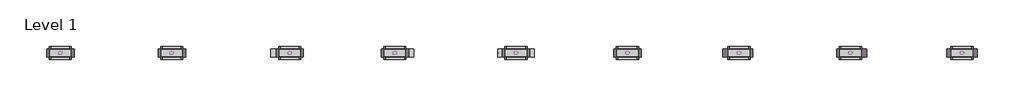
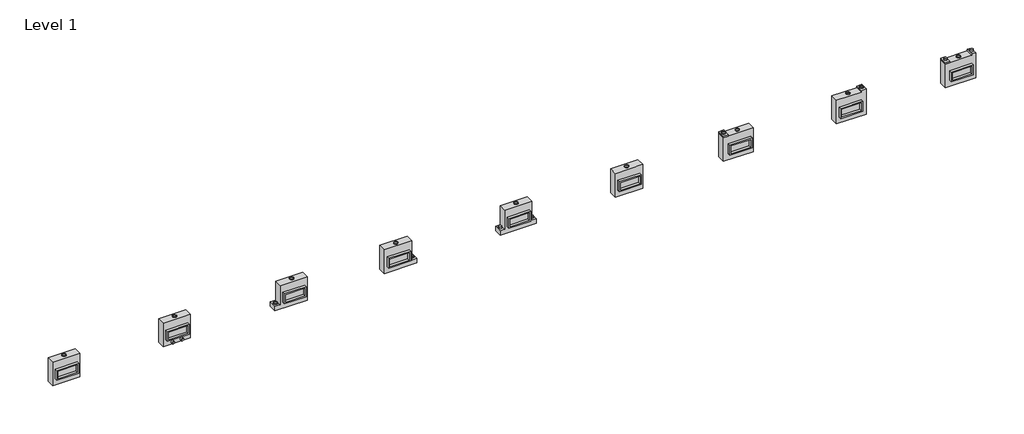
# One storey: 32 proxies.
"""IFC4 building model written with IfcOpenShell, lengths in millimetres."""

import ifcopenshell
import ifcopenshell.guid

model = None  # the IFC model being written
_history = None  # IfcOwnerHistory: only IFC2X3 demands one
_inside = {}  # id of a spatial element -> (the spatial element, [elements in it])
_under = {}  # id of a project, library or spatial element -> (it, [spatial elements below it])
_declared = {}  # id of a project -> (the project, [libraries it declares])
_typed = {}  # id of a type object -> (the type object, [elements of that type])
_made_of = {}  # id of a material, layer set ... -> (it, [elements and type objects made of it])


def new_model(schema):
    """Start an empty IFC model of exactly this schema.

    Asked for "IFC4X3", IfcOpenShell would pick the latest addendum, in which some entities
    have other attributes; the version numbers below select the first issue.
    IFC2X3 requires an IfcOwnerHistory on every rooted entity: one is made here for all.
    """
    global model, _history
    if schema == "IFC4X3":
        model = ifcopenshell.file(schema_version=(4, 3, 0, 0))
    else:
        model = ifcopenshell.file(schema=schema)
    _inside.clear()
    _under.clear()
    _declared.clear()
    _typed.clear()
    _made_of.clear()
    _history = None
    if model.schema == "IFC2X3":
        org = make("IfcOrganization", Name="unknown")
        user = make(
            "IfcPersonAndOrganization",
            ThePerson=make("IfcPerson", FamilyName="unknown"),
            TheOrganization=org,
        )
        app = make(
            "IfcApplication",
            ApplicationDeveloper=org,
            Version="unknown",
            ApplicationFullName="unknown",
            ApplicationIdentifier="unknown",
        )
        _history = make(
            "IfcOwnerHistory",
            OwningUser=user,
            OwningApplication=app,
            ChangeAction="ADDED",
            CreationDate=0,
        )
    return model


def make(cls, **values):
    """One entity of the class cls with the attributes given. An attribute that is None is left unset."""
    return model.create_entity(
        cls, **{name: value for name, value in values.items() if value is not None}
    )


def rooted(cls, **values):
    """An entity with a GlobalId (a new one), such as an element, a storey or a relation."""
    return make(cls, GlobalId=ifcopenshell.guid.new(), OwnerHistory=_history, **values)


def si_unit(unit_type, name, prefix=None):
    """IfcSIUnit, for example si_unit("LENGTHUNIT", "METRE", prefix="MILLI")."""
    return make("IfcSIUnit", UnitType=unit_type, Prefix=prefix, Name=name)


def assignment(units):
    """IfcUnitAssignment: the units of a project."""
    return None if units is None else make("IfcUnitAssignment", Units=units)


def point(xyz):
    """IfcCartesianPoint."""
    return None if xyz is None else make("IfcCartesianPoint", Coordinates=xyz)


def direction(xyz):
    """IfcDirection."""
    return None if xyz is None else make("IfcDirection", DirectionRatios=xyz)


def frame(location, z_axis=None, x_axis=None):
    """IfcAxis2Placement3D, a coordinate frame: its origin and axes. An axis left out is left unset."""
    return make(
        "IfcAxis2Placement3D",
        Location=point(location),
        Axis=direction(z_axis),
        RefDirection=direction(x_axis),
    )


def frame_2d(location, x_axis=None):
    """IfcAxis2Placement2D, a coordinate frame in the plane: its origin and x axis."""
    return make(
        "IfcAxis2Placement2D", Location=point(location), RefDirection=direction(x_axis)
    )


def origin():
    """The frame at (0, 0, 0) with its axes left unset."""
    return frame((0.0, 0.0, 0.0))


def origin_with_axes():
    """The frame at (0, 0, 0) with the z axis (0, 0, 1) and the x axis (1, 0, 0) written out."""
    return frame((0.0, 0.0, 0.0), z_axis=(0.0, 0.0, 1.0), x_axis=(1.0, 0.0, 0.0))


def origin_2d():
    """The frame at (0, 0) in the plane with its x axis left unset."""
    return frame_2d((0.0, 0.0))


def place(relative_to, where):
    """IfcLocalPlacement: puts the frame where relative to a parent placement (None: the world)."""
    return make(
        "IfcLocalPlacement", PlacementRelTo=relative_to, RelativePlacement=where
    )


def context(
    kind, dimensions, precision=None, world=None, true_north=None, identifier=None
):
    """IfcGeometricRepresentationContext, for example the 3D "Model" context."""
    return make(
        "IfcGeometricRepresentationContext",
        ContextIdentifier=identifier,
        ContextType=kind,
        CoordinateSpaceDimension=dimensions,
        Precision=precision,
        WorldCoordinateSystem=world,
        TrueNorth=true_north,
    )


def project(units=None, contexts=None):
    """IfcProject with its units and contexts."""
    return rooted(
        "IfcProject",
        Name="project",
        RepresentationContexts=contexts,
        UnitsInContext=assignment(units),
    )


def spatial(cls, under=None, at=None, **own):
    """A site, building, storey or space (cls), placed at a placement, below another one or the project."""
    s = rooted(cls, ObjectPlacement=at, **own)
    if under is not None:
        _under.setdefault(under.id(), (under, []))[1].append(s)
    return s


def polyline(points):
    """IfcPolyline through the points."""
    return make("IfcPolyline", Points=[point(p) for p in points])


def circle_curve(where, radius):
    """IfcCircle in the frame where."""
    return make("IfcCircle", Position=where, Radius=radius)


def trimmed(basis, trim1, trim2, sense, master):
    """IfcTrimmedCurve: the piece of a basis curve between two trims."""
    return make(
        "IfcTrimmedCurve",
        BasisCurve=basis,
        Trim1=trim1,
        Trim2=trim2,
        SenseAgreement=sense,
        MasterRepresentation=master,
    )


def segment(curve, same_sense, transition):
    """IfcCompositeCurveSegment."""
    return make(
        "IfcCompositeCurveSegment",
        Transition=transition,
        SameSense=same_sense,
        ParentCurve=curve,
    )


def composite_curve(segments, self_intersect=None):
    """IfcCompositeCurve: segments joined end to end."""
    return make("IfcCompositeCurve", Segments=segments, SelfIntersect=self_intersect)


def outline(outer, holes=None, kind="AREA"):
    """IfcArbitraryClosedProfileDef: a profile drawn as a closed curve; with holes, ...WithVoids."""
    if holes is None:
        return make("IfcArbitraryClosedProfileDef", ProfileType=kind, OuterCurve=outer)
    return make(
        "IfcArbitraryProfileDefWithVoids",
        ProfileType=kind,
        OuterCurve=outer,
        InnerCurves=holes,
    )


def extrude(swept, where, along, depth):
    """IfcExtrudedAreaSolid: the profile swept, set in the frame where, extruded along a direction by depth."""
    return make(
        "IfcExtrudedAreaSolid",
        SweptArea=swept,
        Position=where,
        ExtrudedDirection=direction(along),
        Depth=depth,
    )


def shape(context_of_items, identifier, shape_type, items):
    """IfcShapeRepresentation: the items that make up one representation, for example the "Body"."""
    return make(
        "IfcShapeRepresentation",
        ContextOfItems=context_of_items,
        RepresentationIdentifier=identifier,
        RepresentationType=shape_type,
        Items=items,
    )


def source(mapping_origin, context_of_items, identifier, shape_type, items):
    """IfcRepresentationMap: a shape defined once, which mapped items show again and again."""
    return make(
        "IfcRepresentationMap",
        MappingOrigin=mapping_origin,
        MappedRepresentation=shape(context_of_items, identifier, shape_type, items),
    )


def transform(
    local_origin,
    x_axis=None,
    y_axis=None,
    z_axis=None,
    scale=None,
    scale2=None,
    scale3=None,
    uniform=True,
):
    """IfcCartesianTransformationOperator3D, or its non-uniform kind. x_axis, y_axis, z_axis: its Axis1, 2, 3."""
    if uniform:
        return make(
            "IfcCartesianTransformationOperator3D",
            Axis1=direction(x_axis),
            Axis2=direction(y_axis),
            LocalOrigin=point(local_origin),
            Scale=scale,
            Axis3=direction(z_axis),
        )
    return make(
        "IfcCartesianTransformationOperator3DnonUniform",
        Axis1=direction(x_axis),
        Axis2=direction(y_axis),
        LocalOrigin=point(local_origin),
        Scale=scale,
        Axis3=direction(z_axis),
        Scale2=scale2,
        Scale3=scale3,
    )


def mapped(mapping_source, mapping_target):
    """IfcMappedItem: shows the shape of a source again, moved by a transform."""
    return make(
        "IfcMappedItem", MappingSource=mapping_source, MappingTarget=mapping_target
    )


def made_of(thing, what):
    """Note that an element or type object is made of a material, layer set ...; save() writes the relation."""
    if what is not None:
        _made_of.setdefault(what.id(), (what, []))[1].append(thing)
    return thing


def element(
    cls,
    number,
    at=None,
    inside=None,
    cuts=None,
    type_object=None,
    material=None,
    context=None,
    identifier="Body",
    shape_type=None,
    held_by="IfcProductDefinitionShape",
    body=None,
    shapes=None,
    **own,
):
    """One element of the class cls, such as IfcWall. Its Tag is "e" and its number.

    at: its placement. inside: the storey or other place that contains it. cuts: it is an
    opening in that element (IfcRelVoidsElement). A single representation is given by context,
    identifier, shape_type and body (its items); several are given by shapes. held_by: the class
    of the entity that holds the representations. save() writes the other relations.
    """
    e = rooted(cls, Tag="e%d" % number, ObjectPlacement=at, **own)
    if body is not None:
        shapes = [shape(context, identifier, shape_type, body)]
    if shapes is not None:
        e.Representation = make(held_by, Representations=shapes)
    if inside is not None:
        _inside.setdefault(inside.id(), (inside, []))[1].append(e)
    if cuts is not None:
        rooted(
            "IfcRelVoidsElement", RelatingBuildingElement=cuts, RelatedOpeningElement=e
        )
    if type_object is not None:
        _typed.setdefault(type_object.id(), (type_object, []))[1].append(e)
    return made_of(e, material)


def aggregate(whole, parts):
    """IfcRelAggregates: a whole, such as a stair, and the parts it consists of."""
    return rooted("IfcRelAggregates", RelatingObject=whole, RelatedObjects=parts)


def save(model, path):
    """Write the relations noted so far, then the file.

    IfcRelAggregates (storeys below a building ...), IfcRelContainedInSpatialStructure (elements
    in a storey), IfcRelDefinesByType, IfcRelAssociatesMaterial and IfcRelDeclares: one each for
    every whole, place, type object, material and project.
    """
    for whole, parts in _under.values():
        aggregate(whole, parts)
    for where, things in _inside.values():
        rooted(
            "IfcRelContainedInSpatialStructure",
            RelatedElements=things,
            RelatingStructure=where,
        )
    for kind, things in _typed.values():
        rooted("IfcRelDefinesByType", RelatedObjects=things, RelatingType=kind)
    for what, things in _made_of.values():
        rooted("IfcRelAssociatesMaterial", RelatedObjects=things, RelatingMaterial=what)
    for by, libraries in _declared.values():
        rooted("IfcRelDeclares", RelatingContext=by, RelatedDefinitions=libraries)
    model.write(path)


def as_specified_7550a700(model_context):
    return source(origin(), model_context, "Body", "SweptSolid", [
        extrude(outline(polyline([(698.5, 273.05), (698.5, -387.35), (-698.5, -387.35), (-698.5, 273.05), (698.5, 273.05)]), holes=[polyline([(609.6, 196.85), (-609.6, 196.85), (-609.6, -311.15), (609.6, -311.15), (609.6, 196.85)])]), frame((0.0, 0.0, -688.975), z_axis=(0.0, 0.0, 1.0), x_axis=(1.0, 0.0, 0.0)), (0.0, 0.0, 1.0), 165.1),
        extrude(outline(polyline([(698.5, 273.05), (698.5, -387.35), (-698.5, -387.35), (-698.5, 273.05), (698.5, 273.05)]), holes=[polyline([(609.6, 196.85), (-609.6, 196.85), (-609.6, -311.15), (609.6, -311.15), (609.6, 196.85)])]), frame((0.0, 0.0, -25.4), z_axis=(0.0, 0.0, 1.0), x_axis=(1.0, 0.0, 0.0)), (0.0, 0.0, 1.0), 165.1),
        extrude(outline(polyline([(609.6, 196.85), (609.6, -311.15), (-609.6, -311.15), (-609.6, 196.85), (609.6, 196.85)])), frame((0.0, 0.0, -523.875), z_axis=(0.0, 0.0, 1.0), x_axis=(1.0, 0.0, 0.0)), (0.0, 0.0, 1.0), 4.9609375),
        extrude(outline(polyline([(609.6, 196.85), (609.6, -311.15), (-609.6, -311.15), (-609.6, 196.85), (609.6, 196.85)])), frame((0.0, 0.0, -30.3609375), z_axis=(0.0, 0.0, 1.0), x_axis=(1.0, 0.0, 0.0)), (0.0, 0.0, 1.0), 4.9609375),
        extrude(outline(polyline([(-863.6, 793.75), (863.6, 793.75), (863.6, -488.95), (1143.0, -488.95), (1143.0, -793.75), (-1143.0, -793.75), (-1143.0, -488.95), (-863.6, -488.95), (-863.6, 793.75)]), holes=[polyline([(-698.5, 273.05), (-698.5, -387.35), (698.5, -387.35), (698.5, 273.05), (-698.5, 273.05)])]), frame((0.0, 0.0, -523.875), z_axis=(0.0, 0.0, 1.0), x_axis=(1.0, 0.0, 0.0)), (0.0, 0.0, 1.0), 498.475),
    ])


def as_specified_c054f7eb(model_context):
    return source(origin(), model_context, "Body", "SweptSolid", [
        extrude(outline(polyline([(698.5, 273.05), (698.5, -387.35), (-698.5, -387.35), (-698.5, 273.05), (698.5, 273.05)]), holes=[polyline([(609.6, 196.85), (-609.6, 196.85), (-609.6, -311.15), (609.6, -311.15), (609.6, 196.85)])]), frame((0.0, 0.0, -688.975), z_axis=(0.0, 0.0, 1.0), x_axis=(1.0, 0.0, 0.0)), (0.0, 0.0, 1.0), 165.1),
        extrude(outline(polyline([(698.5, 273.05), (698.5, -387.35), (-698.5, -387.35), (-698.5, 273.05), (698.5, 273.05)]), holes=[polyline([(609.6, 196.85), (-609.6, 196.85), (-609.6, -311.15), (609.6, -311.15), (609.6, 196.85)])]), frame((0.0, 0.0, -25.4), z_axis=(0.0, 0.0, 1.0), x_axis=(1.0, 0.0, 0.0)), (0.0, 0.0, 1.0), 165.1),
        extrude(outline(polyline([(609.6, 196.85), (609.6, -311.15), (-609.6, -311.15), (-609.6, 196.85), (609.6, 196.85)])), frame((0.0, 0.0, -523.875), z_axis=(0.0, 0.0, 1.0), x_axis=(1.0, 0.0, 0.0)), (0.0, 0.0, 1.0), 4.9609375),
        extrude(outline(polyline([(609.6, 196.85), (609.6, -311.15), (-609.6, -311.15), (-609.6, 196.85), (609.6, 196.85)])), frame((0.0, 0.0, -30.3609375), z_axis=(0.0, 0.0, 1.0), x_axis=(1.0, 0.0, 0.0)), (0.0, 0.0, 1.0), 4.9609375),
        extrude(outline(polyline([(-863.6, 793.75), (863.6, 793.75), (863.6, -488.95), (1193.8, -488.95), (1193.8, -793.75), (-863.6, -793.75), (-863.6, 793.75)]), holes=[polyline([(-698.5, 273.05), (-698.5, -387.35), (698.5, -387.35), (698.5, 273.05), (-698.5, 273.05)])]), frame((0.0, 0.0, -523.875), z_axis=(0.0, 0.0, 1.0), x_axis=(1.0, 0.0, 0.0)), (0.0, 0.0, 1.0), 498.475),
    ])


def as_specified_d5d1e361(model_context):
    return source(origin(), model_context, "Body", "SweptSolid", [
        extrude(outline(polyline([(698.5, 273.05), (698.5, -387.35), (-698.5, -387.35), (-698.5, 273.05), (698.5, 273.05)]), holes=[polyline([(609.6, 196.85), (-609.6, 196.85), (-609.6, -311.15), (609.6, -311.15), (609.6, 196.85)])]), frame((0.0, 0.0, -688.975), z_axis=(0.0, 0.0, 1.0), x_axis=(1.0, 0.0, 0.0)), (0.0, 0.0, 1.0), 165.1),
        extrude(outline(polyline([(698.5, 273.05), (698.5, -387.35), (-698.5, -387.35), (-698.5, 273.05), (698.5, 273.05)]), holes=[polyline([(609.6, 196.85), (-609.6, 196.85), (-609.6, -311.15), (609.6, -311.15), (609.6, 196.85)])]), frame((0.0, 0.0, -25.4), z_axis=(0.0, 0.0, 1.0), x_axis=(1.0, 0.0, 0.0)), (0.0, 0.0, 1.0), 165.1),
        extrude(outline(polyline([(609.6, 196.85), (609.6, -311.15), (-609.6, -311.15), (-609.6, 196.85), (609.6, 196.85)])), frame((0.0, 0.0, -523.875), z_axis=(0.0, 0.0, 1.0), x_axis=(1.0, 0.0, 0.0)), (0.0, 0.0, 1.0), 4.9609375),
        extrude(outline(polyline([(609.6, 196.85), (609.6, -311.15), (-609.6, -311.15), (-609.6, 196.85), (609.6, 196.85)])), frame((0.0, 0.0, -30.3609375), z_axis=(0.0, 0.0, 1.0), x_axis=(1.0, 0.0, 0.0)), (0.0, 0.0, 1.0), 4.9609375),
        extrude(outline(polyline([(1016.0, -793.75), (-863.6, -793.75), (-863.6, 793.75), (698.5, 793.75), (698.5, 895.35), (1016.0, 895.35), (1016.0, -793.75)]), holes=[polyline([(-698.5, 273.05), (-698.5, -387.35), (698.5, -387.35), (698.5, 273.05), (-698.5, 273.05)])]), frame((0.0, 0.0, -523.875), z_axis=(0.0, 0.0, 1.0), x_axis=(1.0, 0.0, 0.0)), (0.0, 0.0, 1.0), 498.475),
    ])


def as_specified_5f057457(model_context):
    return source(origin(), model_context, "Body", "SweptSolid", [
        extrude(outline(polyline([(698.5, 273.05), (698.5, -387.35), (-698.5, -387.35), (-698.5, 273.05), (698.5, 273.05)]), holes=[polyline([(609.6, 196.85), (-609.6, 196.85), (-609.6, -311.15), (609.6, -311.15), (609.6, 196.85)])]), frame((0.0, 0.0, -688.975), z_axis=(0.0, 0.0, 1.0), x_axis=(1.0, 0.0, 0.0)), (0.0, 0.0, 1.0), 165.1),
        extrude(outline(polyline([(698.5, 273.05), (698.5, -387.35), (-698.5, -387.35), (-698.5, 273.05), (698.5, 273.05)]), holes=[polyline([(609.6, 196.85), (-609.6, 196.85), (-609.6, -311.15), (609.6, -311.15), (609.6, 196.85)])]), frame((0.0, 0.0, -25.4), z_axis=(0.0, 0.0, 1.0), x_axis=(1.0, 0.0, 0.0)), (0.0, 0.0, 1.0), 165.1),
        extrude(outline(polyline([(-698.5, 793.75), (-965.2, 793.75), (-965.2, 895.35), (-698.5, 895.35), (-698.5, 793.75)])), frame((0.0, 0.0, -523.875), z_axis=(0.0, 0.0, 1.0), x_axis=(1.0, 0.0, 0.0)), (0.0, 0.0, 1.0), 498.475),
        extrude(outline(polyline([(609.6, 196.85), (609.6, -311.15), (-609.6, -311.15), (-609.6, 196.85), (609.6, 196.85)])), frame((0.0, 0.0, -523.875), z_axis=(0.0, 0.0, 1.0), x_axis=(1.0, 0.0, 0.0)), (0.0, 0.0, 1.0), 4.9609375),
        extrude(outline(polyline([(609.6, 196.85), (609.6, -311.15), (-609.6, -311.15), (-609.6, 196.85), (609.6, 196.85)])), frame((0.0, 0.0, -30.3609375), z_axis=(0.0, 0.0, 1.0), x_axis=(1.0, 0.0, 0.0)), (0.0, 0.0, 1.0), 4.9609375),
        extrude(outline(polyline([(965.2, -793.75), (-965.2, -793.75), (-965.2, 793.75), (698.5, 793.75), (698.5, 895.35), (965.2, 895.35), (965.2, -793.75)]), holes=[polyline([(-698.5, 273.05), (-698.5, -387.35), (698.5, -387.35), (698.5, 273.05), (-698.5, 273.05)])]), frame((0.0, 0.0, -523.875), z_axis=(0.0, 0.0, 1.0), x_axis=(1.0, 0.0, 0.0)), (0.0, 0.0, 1.0), 498.475),
    ])


def as_specified_463fd718(model_context):
    return source(origin(), model_context, "Body", "SweptSolid", [
        extrude(outline(polyline([(698.5, 273.05), (698.5, -387.35), (-698.5, -387.35), (-698.5, 273.05), (698.5, 273.05)]), holes=[polyline([(609.6, 196.85), (-609.6, 196.85), (-609.6, -311.15), (609.6, -311.15), (609.6, 196.85)])]), frame((0.0, 0.0, -688.975), z_axis=(0.0, 0.0, 1.0), x_axis=(1.0, 0.0, 0.0)), (0.0, 0.0, 1.0), 165.1),
        extrude(outline(polyline([(698.5, 273.05), (698.5, -387.35), (-698.5, -387.35), (-698.5, 273.05), (698.5, 273.05)]), holes=[polyline([(609.6, 196.85), (-609.6, 196.85), (-609.6, -311.15), (609.6, -311.15), (609.6, 196.85)])]), frame((0.0, 0.0, -25.4), z_axis=(0.0, 0.0, 1.0), x_axis=(1.0, 0.0, 0.0)), (0.0, 0.0, 1.0), 165.1),
        extrude(outline(polyline([(609.6, 196.85), (609.6, -311.15), (-609.6, -311.15), (-609.6, 196.85), (609.6, 196.85)])), frame((0.0, 0.0, -523.875), z_axis=(0.0, 0.0, 1.0), x_axis=(1.0, 0.0, 0.0)), (0.0, 0.0, 1.0), 4.9609375),
        extrude(outline(polyline([(609.6, 196.85), (609.6, -311.15), (-609.6, -311.15), (-609.6, 196.85), (609.6, 196.85)])), frame((0.0, 0.0, -30.3609375), z_axis=(0.0, 0.0, 1.0), x_axis=(1.0, 0.0, 0.0)), (0.0, 0.0, 1.0), 4.9609375),
        extrude(outline(polyline([(863.6, -793.75), (-863.6, -793.75), (-863.6, 793.75), (863.6, 793.75), (863.6, -793.75)]), holes=[polyline([(-698.5, 273.05), (-698.5, -387.35), (698.5, -387.35), (698.5, 273.05), (-698.5, 273.05)])]), frame((0.0, 0.0, -523.875), z_axis=(0.0, 0.0, 1.0), x_axis=(1.0, 0.0, 0.0)), (0.0, 0.0, 1.0), 498.475),
    ])


def as_specified_b5da487b(model_context):
    return source(origin(), model_context, "Body", "SweptSolid", [
        extrude(outline(polyline([(698.5, 273.05), (698.5, -387.35), (-698.5, -387.35), (-698.5, 273.05), (698.5, 273.05)]), holes=[polyline([(609.6, 196.85), (-609.6, 196.85), (-609.6, -311.15), (609.6, -311.15), (609.6, 196.85)])]), frame((0.0, 0.0, -688.975), z_axis=(0.0, 0.0, 1.0), x_axis=(1.0, 0.0, 0.0)), (0.0, 0.0, 1.0), 165.1),
        extrude(outline(polyline([(698.5, 273.05), (698.5, -387.35), (-698.5, -387.35), (-698.5, 273.05), (698.5, 273.05)]), holes=[polyline([(609.6, 196.85), (-609.6, 196.85), (-609.6, -311.15), (609.6, -311.15), (609.6, 196.85)])]), frame((0.0, 0.0, -25.4), z_axis=(0.0, 0.0, 1.0), x_axis=(1.0, 0.0, 0.0)), (0.0, 0.0, 1.0), 165.1),
        extrude(outline(polyline([(609.6, 196.85), (609.6, -311.15), (-609.6, -311.15), (-609.6, 196.85), (609.6, 196.85)])), frame((0.0, 0.0, -523.875), z_axis=(0.0, 0.0, 1.0), x_axis=(1.0, 0.0, 0.0)), (0.0, 0.0, 1.0), 4.9609375),
        extrude(outline(polyline([(609.6, 196.85), (609.6, -311.15), (-609.6, -311.15), (-609.6, 196.85), (609.6, 196.85)])), frame((0.0, 0.0, -30.3609375), z_axis=(0.0, 0.0, 1.0), x_axis=(1.0, 0.0, 0.0)), (0.0, 0.0, 1.0), 4.9609375),
        extrude(outline(polyline([(-863.6, 793.75), (863.6, 793.75), (863.6, -793.75), (-1193.8, -793.75), (-1193.8, -488.95), (-863.6, -488.95), (-863.6, 793.75)]), holes=[polyline([(-698.5, 273.05), (-698.5, -387.35), (698.5, -387.35), (698.5, 273.05), (-698.5, 273.05)])]), frame((0.0, 0.0, -523.875), z_axis=(0.0, 0.0, 1.0), x_axis=(1.0, 0.0, 0.0)), (0.0, 0.0, 1.0), 498.475),
    ])


def as_specified_b3f3418c(model_context):
    return source(origin(), model_context, "Body", "SweptSolid", [
        extrude(outline(polyline([(698.5, 273.05), (698.5, -387.35), (-698.5, -387.35), (-698.5, 273.05), (698.5, 273.05)]), holes=[polyline([(609.6, 196.85), (-609.6, 196.85), (-609.6, -311.15), (609.6, -311.15), (609.6, 196.85)])]), frame((0.0, 0.0, -688.975), z_axis=(0.0, 0.0, 1.0), x_axis=(1.0, 0.0, 0.0)), (0.0, 0.0, 1.0), 165.1),
        extrude(outline(polyline([(698.5, 273.05), (698.5, -387.35), (-698.5, -387.35), (-698.5, 273.05), (698.5, 273.05)]), holes=[polyline([(609.6, 196.85), (-609.6, 196.85), (-609.6, -311.15), (609.6, -311.15), (609.6, 196.85)])]), frame((0.0, 0.0, -25.4), z_axis=(0.0, 0.0, 1.0), x_axis=(1.0, 0.0, 0.0)), (0.0, 0.0, 1.0), 165.1),
        extrude(outline(polyline([(-698.5, 793.75), (-1016.0, 793.75), (-1016.0, 895.35), (-698.5, 895.35), (-698.5, 793.75)])), frame((0.0, 0.0, -523.875), z_axis=(0.0, 0.0, 1.0), x_axis=(1.0, 0.0, 0.0)), (0.0, 0.0, 1.0), 498.475),
        extrude(outline(polyline([(609.6, 196.85), (609.6, -311.15), (-609.6, -311.15), (-609.6, 196.85), (609.6, 196.85)])), frame((0.0, 0.0, -523.875), z_axis=(0.0, 0.0, 1.0), x_axis=(1.0, 0.0, 0.0)), (0.0, 0.0, 1.0), 4.9609375),
        extrude(outline(polyline([(609.6, 196.85), (609.6, -311.15), (-609.6, -311.15), (-609.6, 196.85), (609.6, 196.85)])), frame((0.0, 0.0, -30.3609375), z_axis=(0.0, 0.0, 1.0), x_axis=(1.0, 0.0, 0.0)), (0.0, 0.0, 1.0), 4.9609375),
        extrude(outline(polyline([(863.6, -793.75), (-1016.0, -793.75), (-1016.0, 793.75), (863.6, 793.75), (863.6, -793.75)]), holes=[polyline([(-698.5, 273.05), (-698.5, -387.35), (698.5, -387.35), (698.5, 273.05), (-698.5, 273.05)])]), frame((0.0, 0.0, -523.875), z_axis=(0.0, 0.0, 1.0), x_axis=(1.0, 0.0, 0.0)), (0.0, 0.0, 1.0), 498.475),
    ])


def proxy_5643af6b(model_context):
    return source(origin(), model_context, "Body", "SweptSolid", [
        extrude(outline(composite_curve([segment(trimmed(circle_curve(origin_2d(), 100.0125), [point((-100.0125, 0.0))], [point((100.0125, 0.0))], False, "CARTESIAN"), True, "CONTINUOUS"), segment(trimmed(circle_curve(origin_2d(), 100.0125), [point((100.0125, 0.0))], [point((-100.0125, 0.0))], False, "CARTESIAN"), True, "CONTINUOUS")], self_intersect=False), holes=[composite_curve([segment(trimmed(circle_curve(origin_2d(), 98.425), [point((-98.425, 0.0))], [point((98.425, 0.0))], True, "CARTESIAN"), True, "CONTINUOUS"), segment(trimmed(circle_curve(origin_2d(), 98.425), [point((98.425, 0.0))], [point((-98.425, 0.0))], True, "CARTESIAN"), True, "CONTINUOUS")], self_intersect=False)]), origin_with_axes(), (0.0, 0.0, 1.0), 101.6),
    ])


def proxy_c1ba4f62(model_context):
    return source(origin(), model_context, "Body", "SweptSolid", [
        extrude(outline(composite_curve([segment(trimmed(circle_curve(origin_2d(), 103.1875), [point((-103.1875, 0.0))], [point((103.1875, 0.0))], False, "CARTESIAN"), True, "CONTINUOUS"), segment(trimmed(circle_curve(origin_2d(), 103.1875), [point((103.1875, 0.0))], [point((-103.1875, 0.0))], False, "CARTESIAN"), True, "CONTINUOUS")], self_intersect=False), holes=[composite_curve([segment(trimmed(circle_curve(origin_2d(), 101.6), [point((-101.6, 0.0))], [point((101.6, 0.0))], True, "CARTESIAN"), True, "CONTINUOUS"), segment(trimmed(circle_curve(origin_2d(), 101.6), [point((101.6, 0.0))], [point((-101.6, 0.0))], True, "CARTESIAN"), True, "CONTINUOUS")], self_intersect=False)]), origin_with_axes(), (0.0, 0.0, 1.0), 6.35),
    ])


def proxy_2b585128(model_context):
    return source(origin(), model_context, "Body", "SweptSolid", [
        extrude(outline(composite_curve([segment(trimmed(circle_curve(origin_2d(), 123.825), [point((-123.825, 0.0))], [point((123.825, 0.0))], False, "CARTESIAN"), True, "CONTINUOUS"), segment(trimmed(circle_curve(origin_2d(), 123.825), [point((123.825, 0.0))], [point((-123.825, 0.0))], False, "CARTESIAN"), True, "CONTINUOUS")], self_intersect=False), holes=[composite_curve([segment(trimmed(circle_curve(origin_2d(), 122.2375), [point((-122.2375, 0.0))], [point((122.2375, 0.0))], True, "CARTESIAN"), True, "CONTINUOUS"), segment(trimmed(circle_curve(origin_2d(), 122.2375), [point((122.2375, 0.0))], [point((-122.2375, 0.0))], True, "CARTESIAN"), True, "CONTINUOUS")], self_intersect=False)]), origin_with_axes(), (0.0, 0.0, 1.0), 50.8),
    ])


def proxy_f04a25a4(model_context):
    return source(origin(), model_context, "Body", "SweptSolid", [
        extrude(outline(composite_curve([segment(trimmed(circle_curve(origin_2d(), 125.4125), [point((-125.4125, 0.0))], [point((125.4125, 0.0))], False, "CARTESIAN"), True, "CONTINUOUS"), segment(trimmed(circle_curve(origin_2d(), 125.4125), [point((125.4125, 0.0))], [point((-125.4125, 0.0))], False, "CARTESIAN"), True, "CONTINUOUS")], self_intersect=False), holes=[composite_curve([segment(trimmed(circle_curve(origin_2d(), 123.825), [point((-123.825, 0.0))], [point((123.825, 0.0))], True, "CARTESIAN"), True, "CONTINUOUS"), segment(trimmed(circle_curve(origin_2d(), 123.825), [point((123.825, 0.0))], [point((-123.825, 0.0))], True, "CARTESIAN"), True, "CONTINUOUS")], self_intersect=False)]), origin_with_axes(), (0.0, 0.0, 1.0), 50.8),
    ])


model = new_model("IFC4")

# Units and contexts
model_context = context("Model", 3, world=origin())
ifc_project = project(units=[si_unit("LENGTHUNIT", "METRE", prefix="MILLI")], contexts=[model_context])

# Site, building, storey
site = spatial("IfcSite", under=ifc_project)
building = spatial("IfcBuilding", under=site)
storey = spatial("IfcBuildingStorey", under=building, Name="Level 1", Elevation=0.0)

# Proxies
placement = place(None, origin())
as_specified_shape = as_specified_7550a700(model_context)
element("IfcBuildingElementProxy", 1, Name="As Specified", ObjectType="As Specified", at=placement, inside=storey, context=model_context, shape_type="MappedRepresentation", body=[
    mapped(as_specified_shape, transform((14791.2574402, 1616.7712992, 1219.2), x_axis=(1.0, 0.0, 0.0), y_axis=(0.0, 0.0, 1.0), z_axis=(0.0, -1.0, 0.0))),
])
as_specified_2_shape = as_specified_c054f7eb(model_context)
element("IfcBuildingElementProxy", 2, Name="As Specified", ObjectType="As Specified", at=placement, inside=storey, context=model_context, shape_type="MappedRepresentation", body=[
    mapped(as_specified_2_shape, transform((7171.2574402, 1616.7712992, 1219.2), x_axis=(1.0, 0.0, 0.0), y_axis=(0.0, 0.0, 1.0), z_axis=(0.0, -1.0, 0.0))),
])
as_specified_3_shape = as_specified_d5d1e361(model_context)
element("IfcBuildingElementProxy", 3, Name="As Specified", ObjectType="As Specified", at=placement, inside=storey, context=model_context, shape_type="MappedRepresentation", body=[
    mapped(as_specified_3_shape, transform((35822.4574402, 1616.7712992, 1219.2), x_axis=(1.0, 0.0, 0.0), y_axis=(0.0, 0.0, 1.0), z_axis=(0.0, -1.0, 0.0))),
])
as_specified_4_shape = as_specified_5f057457(model_context)
element("IfcBuildingElementProxy", 4, Name="As Specified", ObjectType="As Specified", at=placement, inside=storey, context=model_context, shape_type="MappedRepresentation", body=[
    mapped(as_specified_4_shape, transform((42832.8574402, 1616.7712992, 1219.2), x_axis=(1.0, 0.0, 0.0), y_axis=(0.0, 0.0, 1.0), z_axis=(0.0, -1.0, 0.0))),
])
as_specified_5_shape = as_specified_463fd718(model_context)
element("IfcBuildingElementProxy", 5, Name="As Specified", ObjectType="As Specified", at=placement, inside=storey, context=model_context, shape_type="MappedRepresentation", body=[
    mapped(as_specified_5_shape, transform((-6849.5425598, 1616.7712992, 1219.2), x_axis=(1.0, 0.0, 0.0), y_axis=(0.0, 0.0, 1.0), z_axis=(0.0, -1.0, 0.0))),
])
element("IfcBuildingElementProxy", 6, Name="As Specified", ObjectType="As Specified", at=placement, inside=storey, context=model_context, shape_type="MappedRepresentation", body=[
    mapped(as_specified_5_shape, transform((21801.6574402, 1616.7712992, 1219.2), x_axis=(1.0, 0.0, 0.0), y_axis=(0.0, 0.0, 1.0), z_axis=(0.0, -1.0, 0.0))),
])
element("IfcBuildingElementProxy", 7, Name="As Specified", ObjectType="As Specified", at=placement, inside=storey, context=model_context, shape_type="MappedRepresentation", body=[
    mapped(as_specified_5_shape, transform((-13859.9425598, 1616.7712992, 1066.8), x_axis=(1.0, 0.0, 0.0), y_axis=(0.0, 0.0, 1.0), z_axis=(0.0, -1.0, 0.0))),
])
as_specified_6_shape = as_specified_b5da487b(model_context)
element("IfcBuildingElementProxy", 8, Name="As Specified", ObjectType="As Specified", at=placement, inside=storey, context=model_context, shape_type="MappedRepresentation", body=[
    mapped(as_specified_6_shape, transform((565.6597121, 1616.7712992, 1144.6311604), x_axis=(1.0, 0.0, 0.0), y_axis=(0.0, 0.0, 1.0), z_axis=(0.0, -1.0, 0.0))),
])
as_specified_7_shape = as_specified_b3f3418c(model_context)
element("IfcBuildingElementProxy", 9, Name="As Specified", ObjectType="As Specified", at=placement, inside=storey, context=model_context, shape_type="MappedRepresentation", body=[
    mapped(as_specified_7_shape, transform((28812.0574402, 1616.7712992, 1219.2), x_axis=(1.0, 0.0, 0.0), y_axis=(0.0, 0.0, 1.0), z_axis=(0.0, -1.0, 0.0))),
])
proxy_shape = proxy_5643af6b(model_context)
element("IfcBuildingElementProxy", 10, Name="Duct Dia : 7 7/8\" Dia", ObjectType="Duct Dia : 7 7/8\" Dia", at=placement, inside=storey, context=model_context, shape_type="MappedRepresentation", body=[
    mapped(proxy_shape, transform((-7137.4092265, 1642.1712992, 577.85), x_axis=(-1.0, 0.0, 0.0), y_axis=(0.0, 0.0, -1.0), z_axis=(0.0, -1.0, 0.0))),
])
element("IfcBuildingElementProxy", 11, Name="Duct Dia : 7 7/8\" Dia", ObjectType="Duct Dia : 7 7/8\" Dia", at=placement, inside=storey, context=model_context, shape_type="MappedRepresentation", body=[
    mapped(proxy_shape, transform((-6561.6758932, 1642.1712992, 577.85), x_axis=(-1.0, 0.0, 0.0), y_axis=(0.0, 0.0, -1.0), z_axis=(0.0, -1.0, 0.0))),
])
element("IfcBuildingElementProxy", 12, Name="Duct Dia : 7 7/8\" Dia", ObjectType="Duct Dia : 7 7/8\" Dia", at=placement, inside=storey, context=model_context, shape_type="MappedRepresentation", body=[
    mapped(proxy_shape, transform((13787.9574402, 1891.4087992, 730.25), x_axis=(1.0, 0.0, 0.0), y_axis=(0.0, 1.0, 0.0), z_axis=(0.0, 0.0, 1.0))),
])
element("IfcBuildingElementProxy", 13, Name="Duct Dia : 7 7/8\" Dia", ObjectType="Duct Dia : 7 7/8\" Dia", at=placement, inside=storey, context=model_context, shape_type="MappedRepresentation", body=[
    mapped(proxy_shape, transform((42001.0074402, 1891.4087992, 2114.55), x_axis=(1.0, 0.0, 0.0), y_axis=(0.0, 1.0, 0.0), z_axis=(0.0, 0.0, 1.0))),
])
element("IfcBuildingElementProxy", 14, Name="Duct Dia : 7 7/8\" Dia", ObjectType="Duct Dia : 7 7/8\" Dia", at=placement, inside=storey, context=model_context, shape_type="MappedRepresentation", body=[
    mapped(proxy_shape, transform((15794.5574402, 1891.4087992, 730.25), x_axis=(-1.0, 0.0, 0.0), y_axis=(0.0, -1.0, 0.0), z_axis=(0.0, 0.0, 1.0))),
])
element("IfcBuildingElementProxy", 15, Name="Duct Dia : 7 7/8\" Dia", ObjectType="Duct Dia : 7 7/8\" Dia", at=placement, inside=storey, context=model_context, shape_type="MappedRepresentation", body=[
    mapped(proxy_shape, transform((21513.7907735, 2140.6462992, 577.85), x_axis=(-1.0, 0.0, 0.0), y_axis=(0.0, 0.0, 1.0), z_axis=(0.0, 1.0, 0.0))),
])
element("IfcBuildingElementProxy", 16, Name="Duct Dia : 7 7/8\" Dia", ObjectType="Duct Dia : 7 7/8\" Dia", at=placement, inside=storey, context=model_context, shape_type="MappedRepresentation", body=[
    mapped(proxy_shape, transform((22089.5241068, 2140.6462992, 577.85), x_axis=(-1.0, 0.0, 0.0), y_axis=(0.0, 0.0, 1.0), z_axis=(0.0, 1.0, 0.0))),
])
element("IfcBuildingElementProxy", 17, Name="Duct Dia : 7 7/8\" Dia", ObjectType="Duct Dia : 7 7/8\" Dia", at=placement, inside=storey, context=model_context, shape_type="MappedRepresentation", body=[
    mapped(proxy_shape, transform((43664.7074402, 1891.4087992, 2114.55), x_axis=(-1.0, 0.0, 0.0), y_axis=(0.0, -1.0, 0.0), z_axis=(0.0, 0.0, 1.0))),
])
proxy_2_shape = proxy_c1ba4f62(model_context)
element("IfcBuildingElementProxy", 18, Name="Duct Dia : 8 1/8\" Dia", ObjectType="Duct Dia : 8 1/8\" Dia", at=placement, inside=storey, context=model_context, shape_type="MappedRepresentation", body=[
    mapped(proxy_2_shape, transform((-14291.7425598, 1907.0853617, 273.05), x_axis=(1.0, 0.0, 0.0), y_axis=(0.0, -1.0, 0.0), z_axis=(0.0, 0.0, -1.0))),
])
element("IfcBuildingElementProxy", 19, Name="Duct Dia : 8 1/8\" Dia", ObjectType="Duct Dia : 8 1/8\" Dia", at=placement, inside=storey, context=model_context, shape_type="MappedRepresentation", body=[
    mapped(proxy_2_shape, transform((-13428.1425598, 1907.0853617, 273.05), x_axis=(1.0, 0.0, 0.0), y_axis=(0.0, -1.0, 0.0), z_axis=(0.0, 0.0, -1.0))),
])
proxy_3_shape = proxy_2b585128(model_context)
element("IfcBuildingElementProxy", 20, Name="Duct Dia : 9 3/4\" Dia.", ObjectType="Duct Dia : 9 3/4\" Dia.", at=placement, inside=storey, context=model_context, shape_type="MappedRepresentation", body=[
    mapped(proxy_3_shape, transform((-13859.9425598, 1891.4087992, 1860.55), x_axis=(1.0, 0.0, 0.0), y_axis=(0.0, 1.0, 0.0), z_axis=(0.0, 0.0, 1.0))),
])
element("IfcBuildingElementProxy", 21, Name="Duct Dia : 9 3/4\" Dia.", ObjectType="Duct Dia : 9 3/4\" Dia.", at=placement, inside=storey, context=model_context, shape_type="MappedRepresentation", body=[
    mapped(proxy_3_shape, transform((-6849.5425598, 1891.4087992, 2012.95), x_axis=(1.0, 0.0, 0.0), y_axis=(0.0, 1.0, 0.0), z_axis=(0.0, 0.0, 1.0))),
])
element("IfcBuildingElementProxy", 22, Name="Duct Dia : 9 3/4\" Dia.", ObjectType="Duct Dia : 9 3/4\" Dia.", at=placement, inside=storey, context=model_context, shape_type="MappedRepresentation", body=[
    mapped(proxy_3_shape, transform((565.6597121, 1891.4087992, 1938.3811604), x_axis=(1.0, 0.0, 0.0), y_axis=(0.0, 1.0, 0.0), z_axis=(0.0, 0.0, 1.0))),
])
element("IfcBuildingElementProxy", 23, Name="Duct Dia : 9 3/4\" Dia.", ObjectType="Duct Dia : 9 3/4\" Dia.", at=placement, inside=storey, context=model_context, shape_type="MappedRepresentation", body=[
    mapped(proxy_3_shape, transform((7171.2574402, 1891.4087992, 2012.95), x_axis=(1.0, 0.0, 0.0), y_axis=(0.0, 1.0, 0.0), z_axis=(0.0, 0.0, 1.0))),
])
element("IfcBuildingElementProxy", 24, Name="Duct Dia : 9 3/4\" Dia.", ObjectType="Duct Dia : 9 3/4\" Dia.", at=placement, inside=storey, context=model_context, shape_type="MappedRepresentation", body=[
    mapped(proxy_3_shape, transform((14791.2574402, 1891.4087992, 2012.95), x_axis=(1.0, 0.0, 0.0), y_axis=(0.0, 1.0, 0.0), z_axis=(0.0, 0.0, 1.0))),
])
element("IfcBuildingElementProxy", 25, Name="Duct Dia : 9 3/4\" Dia.", ObjectType="Duct Dia : 9 3/4\" Dia.", at=placement, inside=storey, context=model_context, shape_type="MappedRepresentation", body=[
    mapped(proxy_3_shape, transform((21801.6574402, 1891.4087992, 2012.95), x_axis=(1.0, 0.0, 0.0), y_axis=(0.0, 1.0, 0.0), z_axis=(0.0, 0.0, 1.0))),
])
element("IfcBuildingElementProxy", 26, Name="Duct Dia : 9 3/4\" Dia.", ObjectType="Duct Dia : 9 3/4\" Dia.", at=placement, inside=storey, context=model_context, shape_type="MappedRepresentation", body=[
    mapped(proxy_3_shape, transform((28812.0574402, 1891.4087992, 2012.95), x_axis=(1.0, 0.0, 0.0), y_axis=(0.0, 1.0, 0.0), z_axis=(0.0, 0.0, 1.0))),
])
element("IfcBuildingElementProxy", 27, Name="Duct Dia : 9 3/4\" Dia.", ObjectType="Duct Dia : 9 3/4\" Dia.", at=placement, inside=storey, context=model_context, shape_type="MappedRepresentation", body=[
    mapped(proxy_3_shape, transform((35822.4574402, 1891.4087992, 2012.95), x_axis=(1.0, 0.0, 0.0), y_axis=(0.0, 1.0, 0.0), z_axis=(0.0, 0.0, 1.0))),
])
element("IfcBuildingElementProxy", 28, Name="Duct Dia : 9 3/4\" Dia.", ObjectType="Duct Dia : 9 3/4\" Dia.", at=placement, inside=storey, context=model_context, shape_type="MappedRepresentation", body=[
    mapped(proxy_3_shape, transform((42832.8574402, 1891.4087992, 2012.95), x_axis=(1.0, 0.0, 0.0), y_axis=(0.0, 1.0, 0.0), z_axis=(0.0, 0.0, 1.0))),
])
proxy_4_shape = proxy_f04a25a4(model_context)
element("IfcBuildingElementProxy", 29, Name="Duct Dia : 9 7/8\" Dia.", ObjectType="Duct Dia : 9 7/8\" Dia.", at=placement, inside=storey, context=model_context, shape_type="MappedRepresentation", body=[
    mapped(proxy_4_shape, transform((-463.0402879, 1891.4087992, 655.6811604), x_axis=(1.0, 0.0, 0.0), y_axis=(0.0, 1.0, 0.0), z_axis=(0.0, 0.0, 1.0))),
])
element("IfcBuildingElementProxy", 30, Name="Duct Dia : 9 7/8\" Dia.", ObjectType="Duct Dia : 9 7/8\" Dia.", at=placement, inside=storey, context=model_context, shape_type="MappedRepresentation", body=[
    mapped(proxy_4_shape, transform((27954.8074402, 1891.4087992, 2114.55), x_axis=(1.0, 0.0, 0.0), y_axis=(0.0, 1.0, 0.0), z_axis=(0.0, 0.0, 1.0))),
])
element("IfcBuildingElementProxy", 31, Name="Duct Dia : 9 7/8\" Dia.", ObjectType="Duct Dia : 9 7/8\" Dia.", at=placement, inside=storey, context=model_context, shape_type="MappedRepresentation", body=[
    mapped(proxy_4_shape, transform((8199.9574402, 1891.4087992, 730.25), x_axis=(-1.0, 0.0, 0.0), y_axis=(0.0, -1.0, 0.0), z_axis=(0.0, 0.0, 1.0))),
])
element("IfcBuildingElementProxy", 32, Name="Duct Dia : 9 7/8\" Dia.", ObjectType="Duct Dia : 9 7/8\" Dia.", at=placement, inside=storey, context=model_context, shape_type="MappedRepresentation", body=[
    mapped(proxy_4_shape, transform((36679.7074402, 1891.4087992, 2114.55), x_axis=(-1.0, 0.0, 0.0), y_axis=(0.0, -1.0, 0.0), z_axis=(0.0, 0.0, 1.0))),
])

save(model, "model.ifc")
